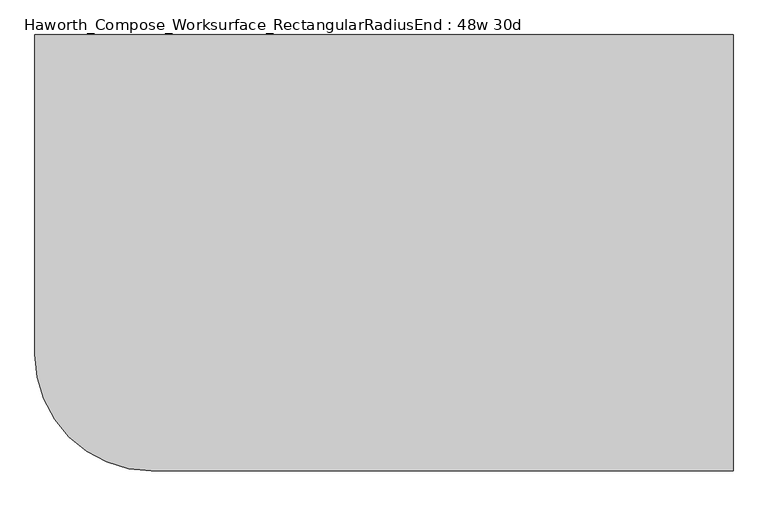
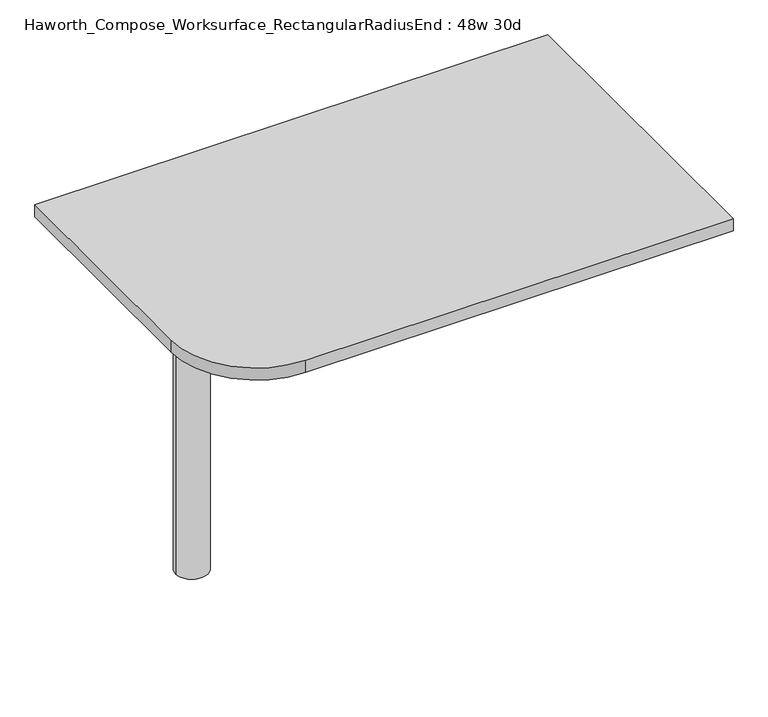
"""IFC4 building model written with IfcOpenShell, lengths in millimetres: furniture geometry, Haworth_Compose_Worksurface_RectangularRadiusEnd : 48w 30d."""

from ifc_helpers import new_model, si_unit, point, frame, frame_2d, origin, place, context, project, spatial, polyline, circle_curve, trimmed, segment, composite_curve, outline, extrude, source, transform, mapped, element, save
from ifc_brep_helpers import plane_surface, cylinder_surface, revolved_surface, advanced_brep


def haworth_compose_worksurface_rectangularradiusend_48w_30d_c543ad48(model_context):
    return source(origin(), model_context, "Body", "SolidModel", [
        advanced_brep(
        [(604.04375, 381.0, 475.45625), (604.04375, 365.125, 475.45625), (604.04375, -25.4, 691.7192568), (604.04375, -25.4, 704.05625), (604.04375, 365.125, 704.05625), (604.04375, 381.0, 704.05625), (604.04375, 297.690072, 665.95625), (604.04375, 254.0355284, 665.95625), (604.04375, 251.3564235, 656.3705539), (604.04375, 343.0776173, 605.5776439), (604.04375, 352.425, 611.1756969), (604.04375, 352.425, 634.6860246), (604.04375, 350.6730055, 637.5242776), (604.04375, 300.7663437, 665.1613425), (606.425, 381.0, 475.45625), (606.425, 381.0, 704.05625), (606.425, 365.125, 704.05625), (606.425, 365.125, 706.4375), (606.425, -25.4, 706.4375), (606.425, -25.4, 691.7192568), (606.425, 365.125, 475.45625), (606.425, 297.690072, 665.95625), (606.425, 300.7663437, 665.1613425), (606.425, 350.6730055, 637.5242776), (606.425, 352.425, 634.6860246), (606.425, 352.425, 611.1756969), (606.425, 343.0776173, 605.5776439), (606.425, 251.3564235, 656.3705539), (606.425, 254.0355284, 665.95625), (565.15, -25.4, 706.4375), (565.15, -25.4, 704.05625), (565.15, 365.125, 704.05625), (565.15, 365.125, 706.4375)],
        [
            (0, 1),
            (1, 2),
            (2, 3),
            (3, 4),
            (4, 5),
            (5, 0),
            (6, 7),
            (7, 8, circle_curve(frame((604.04375, 254.0355284, 660.7890106), z_axis=(1.0, 0.0, 0.0), x_axis=(0.0, -1.0, 0.0)), 5.1672394)),
            (8, 9),
            (9, 10, circle_curve(frame((604.04375, 346.075, 611.1756969), z_axis=(1.0, 0.0, 0.0), x_axis=(0.0, -1.0, 0.0)), 6.35)),
            (10, 11),
            (11, 12, circle_curve(frame((604.04375, 349.25, 634.6860246), z_axis=(1.0, 0.0, 0.0), x_axis=(0.0, -1.0, 0.0)), 3.175)),
            (12, 13),
            (13, 6, circle_curve(frame((604.04375, 297.690072, 659.60625), z_axis=(1.0, 0.0, 0.0), x_axis=(0.0, -1.0, 0.0)), 6.35)),
            (14, 15),
            (15, 16),
            (16, 17),
            (17, 18),
            (18, 19),
            (19, 20),
            (20, 14),
            (21, 22, circle_curve(frame((606.425, 297.690072, 659.60625), z_axis=(-1.0, 0.0, 0.0), x_axis=(0.0, -1.0, 0.0)), 6.35)),
            (22, 23),
            (23, 24, circle_curve(frame((606.425, 349.25, 634.6860246), z_axis=(-1.0, 0.0, 0.0), x_axis=(0.0, -1.0, 0.0)), 3.175)),
            (24, 25),
            (25, 26, circle_curve(frame((606.425, 346.075, 611.1756969), z_axis=(-1.0, 0.0, 0.0), x_axis=(0.0, -1.0, 0.0)), 6.35)),
            (26, 27),
            (27, 28, circle_curve(frame((606.425, 254.0355284, 660.7890106), z_axis=(-1.0, 0.0, 0.0), x_axis=(0.0, -1.0, 0.0)), 5.1672394)),
            (28, 21),
            (4, 16),
            (15, 5),
            (14, 0),
            (20, 1),
            (19, 2),
            (18, 29),
            (29, 30),
            (30, 3),
            (6, 21),
            (28, 7),
            (9, 26),
            (25, 10),
            (24, 11),
            (23, 12),
            (27, 8),
            (31, 4),
            (30, 31),
            (32, 29),
            (17, 32),
            (31, 32),
            (22, 13),
        ],
        [
            plane_surface(frame((604.04375, 381.0, 475.45625), z_axis=(-1.0, 0.0, 0.0), x_axis=(0.0, 1.0, 0.0))),
            plane_surface(frame((606.425, 381.0, 475.45625), z_axis=(1.0, 0.0, 0.0), x_axis=(0.0, -1.0, 0.0))),
            plane_surface(frame((606.425, -25.4, 704.05625), z_axis=(0.0, 0.0, 1.0), x_axis=(-1.0, 0.0, 0.0))),
            plane_surface(frame((606.425, 381.0, 704.05625), z_axis=(0.0, 1.0, 0.0), x_axis=(-1.0, 0.0, 0.0))),
            plane_surface(frame((606.425, 381.0, 475.45625), z_axis=(0.0, 0.0, -1.0), x_axis=(-1.0, 0.0, 0.0))),
            plane_surface(frame((606.425, 365.125, 475.45625), z_axis=(0.0, -0.48445223513455843, -0.8748177135112952), x_axis=(-1.0, 0.0, 0.0))),
            plane_surface(frame((606.425, -25.4, 691.7192568), z_axis=(0.0, -1.0, 0.0), x_axis=(-1.0, 0.0, 0.0))),
            plane_surface(frame((606.425, 297.690072, 665.95625), z_axis=(0.0, 0.0, -1.0), x_axis=(-1.0, 0.0, 0.0))),
            revolved_surface(polyline([(604.04375, 339.72499999999997, 611.1756969), (606.425, 339.72499999999997, 611.1756969)]), (606.425, 346.075, 611.1756969), (-1.0, 0.0, 0.0)),
            plane_surface(frame((606.425, 352.425, 611.1756969), z_axis=(0.0, -1.0, 0.0), x_axis=(-1.0, 0.0, 0.0))),
            revolved_surface(polyline([(604.04375, 346.075, 634.6860246), (606.425, 346.075, 634.6860246)]), (606.425, 349.25, 634.6860246), (-1.0, 0.0, 0.0)),
            revolved_surface(polyline([(604.04375, 248.868289, 660.7890106), (606.425, 248.868289, 660.7890106)]), (606.425, 254.0355284, 660.7890106), (-1.0, 0.0, 0.0)),
            plane_surface(frame((606.425, 365.125, 704.05625), z_axis=(0.0, 0.0, -1.0), x_axis=(-1.0, 0.0, 0.0))),
            plane_surface(frame((606.425, 365.125, 706.4375), z_axis=(0.0, 0.0, 1.0), x_axis=(1.0, 0.0, 0.0))),
            plane_surface(frame((565.15, 365.125, 706.4375), z_axis=(0.0, 1.0, 0.0), x_axis=(0.0, 0.0, -1.0))),
            plane_surface(frame((565.15, -25.4, 706.4375), z_axis=(-1.0, 0.0, 0.0), x_axis=(0.0, 0.0, -1.0))),
            plane_surface(frame((606.425, 251.3564235, 656.3705539), z_axis=(0.0, 0.4844522351345583, 0.8748177135112953), x_axis=(-1.0, 0.0, 0.0))),
            plane_surface(frame((606.425, 350.6730055, 637.5242776), z_axis=(0.0, -0.4844522351345582, -0.8748177135112953), x_axis=(-1.0, 0.0, 0.0))),
            revolved_surface(polyline([(604.04375, 291.34007199999996, 659.60625), (606.425, 291.34007199999996, 659.60625)]), (606.425, 297.690072, 659.60625), (-1.0, 0.0, 0.0)),
        ],
        [
            (0, [[1, 2, 3, 4, 5, 6], [7, 8, 9, 10, 11, 12, 13, 14]]),
            (1, [[15, 16, 17, 18, 19, 20, 21], [22, 23, 24, 25, 26, 27, 28, 29]]),
            (2, [[-5, 30, -16, 31]]),
            (3, [[-31, -15, 32, -6]]),
            (4, [[-32, -21, 33, -1]]),
            (5, [[-33, -20, 34, -2]]),
            (6, [[-34, -19, 35, 36, 37, -3]]),
            (7, [[38, -29, 39, -7]]),
            (8, [[40, -26, 41, -10]]),
            (9, [[-41, -25, 42, -11]]),
            (10, [[-42, -24, 43, -12]]),
            (11, [[-39, -28, 44, -8]]),
            (12, [[45, -4, -37, 46]]),
            (13, [[47, -35, -18, 48]]),
            (14, [[-17, -30, -45, 49, -48]]),
            (15, [[-36, -47, -49, -46]]),
            (16, [[-44, -27, -40, -9]]),
            (17, [[-43, -23, 50, -13]]),
            (18, [[-50, -22, -38, -14]]),
        ],
    ),
        advanced_brep(
        [(-419.1, 0.0, 706.4375), (-495.3, 0.0, 706.4375), (-457.2, 0.0, 706.4375), (-419.1, 0.0, 0.0), (-495.3, 0.0, 0.0), (-457.2, 0.0, 0.0)],
        [
            (0, 1, circle_curve(frame((-457.2, 0.0, 706.4375), z_axis=(0.0, 0.0, 1.0), x_axis=(-1.0, 0.0, 0.0)), 38.1)),
            (1, 2),
            (2, 0),
            (1, 0, circle_curve(frame((-457.2, 0.0, 706.4375), z_axis=(0.0, 0.0, 1.0), x_axis=(-1.0, 0.0, 0.0)), 38.1)),
            (3, 4, circle_curve(frame((-457.2, 0.0, 0.0), z_axis=(0.0, 0.0, 1.0), x_axis=(-1.0, 0.0, 0.0)), 38.1)),
            (4, 1),
            (0, 3),
            (4, 3, circle_curve(frame((-457.2, 0.0, 0.0), z_axis=(0.0, 0.0, 1.0), x_axis=(-1.0, 0.0, 0.0)), 38.1)),
            (5, 4),
            (3, 5),
        ],
        [
            plane_surface(frame((-457.2, 0.0, 706.4375), z_axis=(0.0, 0.0, 1.0), x_axis=(-1.0, 0.0, 0.0))),
            cylinder_surface(frame((-457.2, 0.0, 889.623257), z_axis=(0.0, 0.0, -1.0), x_axis=(-1.0, 0.0, 0.0)), 38.1),
            plane_surface(frame((-457.2, 0.0, 0.0), z_axis=(0.0, 0.0, -1.0), x_axis=(-1.0, 0.0, 0.0))),
        ],
        [
            (0, [[1, 2, 3]]),
            (0, [[4, -3, -2]]),
            (1, [[5, 6, -1, 7]]),
            (1, [[8, -7, -4, -6]]),
            (2, [[9, -5, 10]]),
            (2, [[-10, -8, -9]]),
        ],
    ),
        extrude(outline(composite_curve([segment(polyline([(609.6, 381.0), (609.6, -381.0), (-406.4, -381.0)]), True, "CONTINUOUS"), segment(trimmed(circle_curve(frame_2d((-406.4, -177.8)), 203.2), [point((-406.4, -381.0))], [point((-609.6, -177.8))], False, "CARTESIAN"), True, "CONTINUOUS"), segment(polyline([(-609.6, -177.8), (-609.6, 381.0), (609.6, 381.0)]), True, "CONTINUOUS")], self_intersect=False)), frame((0.0, 0.0, 706.4375), z_axis=(0.0, 0.0, 1.0), x_axis=(1.0, 0.0, 0.0)), (0.0, 0.0, 1.0), 30.1625),
    ])


if __name__ == "__main__":
    model = new_model("IFC4")
    model_context = context("Model", 3, world=origin())
    ifc_project = project(units=[si_unit("LENGTHUNIT", "METRE", prefix="MILLI")], contexts=[model_context])
    site = spatial("IfcSite", under=ifc_project)
    building = spatial("IfcBuilding", under=site)
    placement = place(None, origin())
    haworth_compose_worksurface_rectangularradiusend_48w_30d_shape = haworth_compose_worksurface_rectangularradiusend_48w_30d_c543ad48(model_context)
    element("IfcFurniture", 1, ObjectType="Haworth_Compose_Worksurface_RectangularRadiusEnd : 48w 30d", at=placement, inside=building, context=model_context, shape_type="MappedRepresentation", body=[
        mapped(haworth_compose_worksurface_rectangularradiusend_48w_30d_shape, transform((0.0, 0.0, 0.0), x_axis=(1.0, 0.0, 0.0), y_axis=(0.0, 1.0, 0.0), z_axis=(0.0, 0.0, 1.0))),
    ])
    save(model, "model.ifc")
